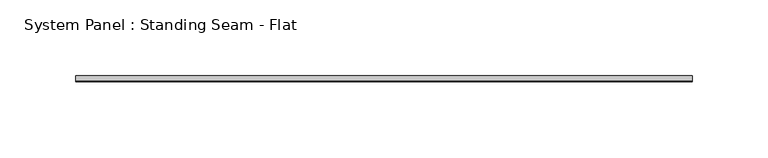
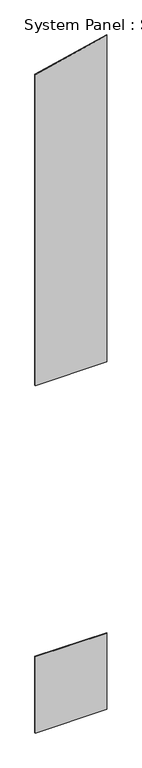
"""IFC4 building model written with IfcOpenShell, lengths in millimetres: plate geometry, System Panel : Standing Seam - Flat."""

import ifcopenshell
import ifcopenshell.guid

model = None  # the IFC model being written
_history = None  # IfcOwnerHistory: only IFC2X3 demands one
_inside = {}  # id of a spatial element -> (the spatial element, [elements in it])
_under = {}  # id of a project, library or spatial element -> (it, [spatial elements below it])
_declared = {}  # id of a project -> (the project, [libraries it declares])
_typed = {}  # id of a type object -> (the type object, [elements of that type])
_made_of = {}  # id of a material, layer set ... -> (it, [elements and type objects made of it])


def new_model(schema):
    """Start an empty IFC model of exactly this schema.

    Asked for "IFC4X3", IfcOpenShell would pick the latest addendum, in which some entities
    have other attributes; the version numbers below select the first issue.
    IFC2X3 requires an IfcOwnerHistory on every rooted entity: one is made here for all.
    """
    global model, _history
    if schema == "IFC4X3":
        model = ifcopenshell.file(schema_version=(4, 3, 0, 0))
    else:
        model = ifcopenshell.file(schema=schema)
    _inside.clear()
    _under.clear()
    _declared.clear()
    _typed.clear()
    _made_of.clear()
    _history = None
    if model.schema == "IFC2X3":
        org = make("IfcOrganization", Name="unknown")
        user = make(
            "IfcPersonAndOrganization",
            ThePerson=make("IfcPerson", FamilyName="unknown"),
            TheOrganization=org,
        )
        app = make(
            "IfcApplication",
            ApplicationDeveloper=org,
            Version="unknown",
            ApplicationFullName="unknown",
            ApplicationIdentifier="unknown",
        )
        _history = make(
            "IfcOwnerHistory",
            OwningUser=user,
            OwningApplication=app,
            ChangeAction="ADDED",
            CreationDate=0,
        )
    return model


def make(cls, **values):
    """One entity of the class cls with the attributes given. An attribute that is None is left unset."""
    return model.create_entity(
        cls, **{name: value for name, value in values.items() if value is not None}
    )


def rooted(cls, **values):
    """An entity with a GlobalId (a new one), such as an element, a storey or a relation."""
    return make(cls, GlobalId=ifcopenshell.guid.new(), OwnerHistory=_history, **values)


def si_unit(unit_type, name, prefix=None):
    """IfcSIUnit, for example si_unit("LENGTHUNIT", "METRE", prefix="MILLI")."""
    return make("IfcSIUnit", UnitType=unit_type, Prefix=prefix, Name=name)


def assignment(units):
    """IfcUnitAssignment: the units of a project."""
    return None if units is None else make("IfcUnitAssignment", Units=units)


def point(xyz):
    """IfcCartesianPoint."""
    return None if xyz is None else make("IfcCartesianPoint", Coordinates=xyz)


def direction(xyz):
    """IfcDirection."""
    return None if xyz is None else make("IfcDirection", DirectionRatios=xyz)


def frame(location, z_axis=None, x_axis=None):
    """IfcAxis2Placement3D, a coordinate frame: its origin and axes. An axis left out is left unset."""
    return make(
        "IfcAxis2Placement3D",
        Location=point(location),
        Axis=direction(z_axis),
        RefDirection=direction(x_axis),
    )


def origin():
    """The frame at (0, 0, 0) with its axes left unset."""
    return frame((0.0, 0.0, 0.0))


def origin_with_axes():
    """The frame at (0, 0, 0) with the z axis (0, 0, 1) and the x axis (1, 0, 0) written out."""
    return frame((0.0, 0.0, 0.0), z_axis=(0.0, 0.0, 1.0), x_axis=(1.0, 0.0, 0.0))


def place(relative_to, where):
    """IfcLocalPlacement: puts the frame where relative to a parent placement (None: the world)."""
    return make(
        "IfcLocalPlacement", PlacementRelTo=relative_to, RelativePlacement=where
    )


def context(
    kind, dimensions, precision=None, world=None, true_north=None, identifier=None
):
    """IfcGeometricRepresentationContext, for example the 3D "Model" context."""
    return make(
        "IfcGeometricRepresentationContext",
        ContextIdentifier=identifier,
        ContextType=kind,
        CoordinateSpaceDimension=dimensions,
        Precision=precision,
        WorldCoordinateSystem=world,
        TrueNorth=true_north,
    )


def project(units=None, contexts=None):
    """IfcProject with its units and contexts."""
    return rooted(
        "IfcProject",
        Name="project",
        RepresentationContexts=contexts,
        UnitsInContext=assignment(units),
    )


def spatial(cls, under=None, at=None, **own):
    """A site, building, storey or space (cls), placed at a placement, below another one or the project."""
    s = rooted(cls, ObjectPlacement=at, **own)
    if under is not None:
        _under.setdefault(under.id(), (under, []))[1].append(s)
    return s


def polyline(points):
    """IfcPolyline through the points."""
    return make("IfcPolyline", Points=[point(p) for p in points])


def outline(outer, holes=None, kind="AREA"):
    """IfcArbitraryClosedProfileDef: a profile drawn as a closed curve; with holes, ...WithVoids."""
    if holes is None:
        return make("IfcArbitraryClosedProfileDef", ProfileType=kind, OuterCurve=outer)
    return make(
        "IfcArbitraryProfileDefWithVoids",
        ProfileType=kind,
        OuterCurve=outer,
        InnerCurves=holes,
    )


def extrude(swept, where, along, depth):
    """IfcExtrudedAreaSolid: the profile swept, set in the frame where, extruded along a direction by depth."""
    return make(
        "IfcExtrudedAreaSolid",
        SweptArea=swept,
        Position=where,
        ExtrudedDirection=direction(along),
        Depth=depth,
    )


def shape(context_of_items, identifier, shape_type, items):
    """IfcShapeRepresentation: the items that make up one representation, for example the "Body"."""
    return make(
        "IfcShapeRepresentation",
        ContextOfItems=context_of_items,
        RepresentationIdentifier=identifier,
        RepresentationType=shape_type,
        Items=items,
    )


def source(mapping_origin, context_of_items, identifier, shape_type, items):
    """IfcRepresentationMap: a shape defined once, which mapped items show again and again."""
    return make(
        "IfcRepresentationMap",
        MappingOrigin=mapping_origin,
        MappedRepresentation=shape(context_of_items, identifier, shape_type, items),
    )


def transform(
    local_origin,
    x_axis=None,
    y_axis=None,
    z_axis=None,
    scale=None,
    scale2=None,
    scale3=None,
    uniform=True,
):
    """IfcCartesianTransformationOperator3D, or its non-uniform kind. x_axis, y_axis, z_axis: its Axis1, 2, 3."""
    if uniform:
        return make(
            "IfcCartesianTransformationOperator3D",
            Axis1=direction(x_axis),
            Axis2=direction(y_axis),
            LocalOrigin=point(local_origin),
            Scale=scale,
            Axis3=direction(z_axis),
        )
    return make(
        "IfcCartesianTransformationOperator3DnonUniform",
        Axis1=direction(x_axis),
        Axis2=direction(y_axis),
        LocalOrigin=point(local_origin),
        Scale=scale,
        Axis3=direction(z_axis),
        Scale2=scale2,
        Scale3=scale3,
    )


def mapped(mapping_source, mapping_target):
    """IfcMappedItem: shows the shape of a source again, moved by a transform."""
    return make(
        "IfcMappedItem", MappingSource=mapping_source, MappingTarget=mapping_target
    )


def made_of(thing, what):
    """Note that an element or type object is made of a material, layer set ...; save() writes the relation."""
    if what is not None:
        _made_of.setdefault(what.id(), (what, []))[1].append(thing)
    return thing


def element(
    cls,
    number,
    at=None,
    inside=None,
    cuts=None,
    type_object=None,
    material=None,
    context=None,
    identifier="Body",
    shape_type=None,
    held_by="IfcProductDefinitionShape",
    body=None,
    shapes=None,
    **own,
):
    """One element of the class cls, such as IfcWall. Its Tag is "e" and its number.

    at: its placement. inside: the storey or other place that contains it. cuts: it is an
    opening in that element (IfcRelVoidsElement). A single representation is given by context,
    identifier, shape_type and body (its items); several are given by shapes. held_by: the class
    of the entity that holds the representations. save() writes the other relations.
    """
    e = rooted(cls, Tag="e%d" % number, ObjectPlacement=at, **own)
    if body is not None:
        shapes = [shape(context, identifier, shape_type, body)]
    if shapes is not None:
        e.Representation = make(held_by, Representations=shapes)
    if inside is not None:
        _inside.setdefault(inside.id(), (inside, []))[1].append(e)
    if cuts is not None:
        rooted(
            "IfcRelVoidsElement", RelatingBuildingElement=cuts, RelatedOpeningElement=e
        )
    if type_object is not None:
        _typed.setdefault(type_object.id(), (type_object, []))[1].append(e)
    return made_of(e, material)


def aggregate(whole, parts):
    """IfcRelAggregates: a whole, such as a stair, and the parts it consists of."""
    return rooted("IfcRelAggregates", RelatingObject=whole, RelatedObjects=parts)


def save(model, path):
    """Write the relations noted so far, then the file.

    IfcRelAggregates (storeys below a building ...), IfcRelContainedInSpatialStructure (elements
    in a storey), IfcRelDefinesByType, IfcRelAssociatesMaterial and IfcRelDeclares: one each for
    every whole, place, type object, material and project.
    """
    for whole, parts in _under.values():
        aggregate(whole, parts)
    for where, things in _inside.values():
        rooted(
            "IfcRelContainedInSpatialStructure",
            RelatedElements=things,
            RelatingStructure=where,
        )
    for kind, things in _typed.values():
        rooted("IfcRelDefinesByType", RelatedObjects=things, RelatingType=kind)
    for what, things in _made_of.values():
        rooted("IfcRelAssociatesMaterial", RelatedObjects=things, RelatingMaterial=what)
    for by, libraries in _declared.values():
        rooted("IfcRelDeclares", RelatingContext=by, RelatedDefinitions=libraries)
    model.write(path)


def system_panel_standing_seam_flat_fac3b185(model_context):
    return source(origin(), model_context, "Body", "SweptSolid", [
        extrude(outline(polyline([(203.2, -1.5875), (-203.2, -1.5875), (-203.2, 1.5875), (203.2, 1.5875), (203.2, -1.5875)])), origin_with_axes(), (0.0, 0.0, 1.0), 457.2),
        extrude(outline(polyline([(2082.8, -203.2), (2082.8, 203.2), (4039.8465532, 203.2), (3946.4638083, -203.2), (2082.8, -203.2)])), frame((0.0, -1.5875, 0.0), z_axis=(0.0, 1.0, 0.0), x_axis=(0.0, 0.0, 1.0)), (0.0, 0.0, 1.0), 3.175),
    ])


if __name__ == "__main__":
    model = new_model("IFC4")
    model_context = context("Model", 3, world=origin())
    ifc_project = project(units=[si_unit("LENGTHUNIT", "METRE", prefix="MILLI")], contexts=[model_context])
    site = spatial("IfcSite", under=ifc_project)
    building = spatial("IfcBuilding", under=site)
    placement = place(None, origin())
    system_panel_standing_seam_flat_shape = system_panel_standing_seam_flat_fac3b185(model_context)
    element("IfcPlate", 1, ObjectType="System Panel : Standing Seam - Flat", at=placement, inside=building, context=model_context, shape_type="MappedRepresentation", body=[
        mapped(system_panel_standing_seam_flat_shape, transform((0.0, 0.0, 0.0), x_axis=(1.0, 0.0, 0.0), y_axis=(0.0, 1.0, 0.0), z_axis=(0.0, 0.0, 1.0))),
    ])
    save(model, "model.ifc")
